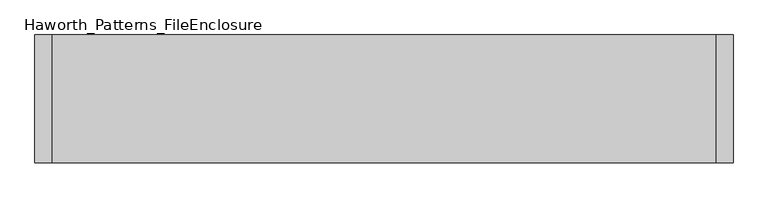
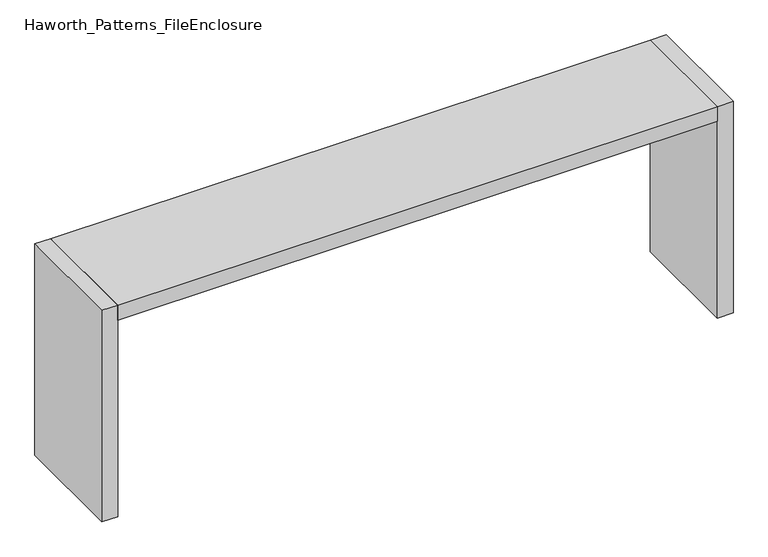
"""IFC4 building model written with IfcOpenShell, lengths in millimetres: furniture geometry, Haworth_Patterns_FileEnclosure."""

import ifcopenshell
import ifcopenshell.guid

model = None  # the IFC model being written
_history = None  # IfcOwnerHistory: only IFC2X3 demands one
_inside = {}  # id of a spatial element -> (the spatial element, [elements in it])
_under = {}  # id of a project, library or spatial element -> (it, [spatial elements below it])
_declared = {}  # id of a project -> (the project, [libraries it declares])
_typed = {}  # id of a type object -> (the type object, [elements of that type])
_made_of = {}  # id of a material, layer set ... -> (it, [elements and type objects made of it])


def new_model(schema):
    """Start an empty IFC model of exactly this schema.

    Asked for "IFC4X3", IfcOpenShell would pick the latest addendum, in which some entities
    have other attributes; the version numbers below select the first issue.
    IFC2X3 requires an IfcOwnerHistory on every rooted entity: one is made here for all.
    """
    global model, _history
    if schema == "IFC4X3":
        model = ifcopenshell.file(schema_version=(4, 3, 0, 0))
    else:
        model = ifcopenshell.file(schema=schema)
    _inside.clear()
    _under.clear()
    _declared.clear()
    _typed.clear()
    _made_of.clear()
    _history = None
    if model.schema == "IFC2X3":
        org = make("IfcOrganization", Name="unknown")
        user = make(
            "IfcPersonAndOrganization",
            ThePerson=make("IfcPerson", FamilyName="unknown"),
            TheOrganization=org,
        )
        app = make(
            "IfcApplication",
            ApplicationDeveloper=org,
            Version="unknown",
            ApplicationFullName="unknown",
            ApplicationIdentifier="unknown",
        )
        _history = make(
            "IfcOwnerHistory",
            OwningUser=user,
            OwningApplication=app,
            ChangeAction="ADDED",
            CreationDate=0,
        )
    return model


def make(cls, **values):
    """One entity of the class cls with the attributes given. An attribute that is None is left unset."""
    return model.create_entity(
        cls, **{name: value for name, value in values.items() if value is not None}
    )


def rooted(cls, **values):
    """An entity with a GlobalId (a new one), such as an element, a storey or a relation."""
    return make(cls, GlobalId=ifcopenshell.guid.new(), OwnerHistory=_history, **values)


def si_unit(unit_type, name, prefix=None):
    """IfcSIUnit, for example si_unit("LENGTHUNIT", "METRE", prefix="MILLI")."""
    return make("IfcSIUnit", UnitType=unit_type, Prefix=prefix, Name=name)


def assignment(units):
    """IfcUnitAssignment: the units of a project."""
    return None if units is None else make("IfcUnitAssignment", Units=units)


def point(xyz):
    """IfcCartesianPoint."""
    return None if xyz is None else make("IfcCartesianPoint", Coordinates=xyz)


def direction(xyz):
    """IfcDirection."""
    return None if xyz is None else make("IfcDirection", DirectionRatios=xyz)


def frame(location, z_axis=None, x_axis=None):
    """IfcAxis2Placement3D, a coordinate frame: its origin and axes. An axis left out is left unset."""
    return make(
        "IfcAxis2Placement3D",
        Location=point(location),
        Axis=direction(z_axis),
        RefDirection=direction(x_axis),
    )


def origin():
    """The frame at (0, 0, 0) with its axes left unset."""
    return frame((0.0, 0.0, 0.0))


def origin_with_axes():
    """The frame at (0, 0, 0) with the z axis (0, 0, 1) and the x axis (1, 0, 0) written out."""
    return frame((0.0, 0.0, 0.0), z_axis=(0.0, 0.0, 1.0), x_axis=(1.0, 0.0, 0.0))


def place(relative_to, where):
    """IfcLocalPlacement: puts the frame where relative to a parent placement (None: the world)."""
    return make(
        "IfcLocalPlacement", PlacementRelTo=relative_to, RelativePlacement=where
    )


def context(
    kind, dimensions, precision=None, world=None, true_north=None, identifier=None
):
    """IfcGeometricRepresentationContext, for example the 3D "Model" context."""
    return make(
        "IfcGeometricRepresentationContext",
        ContextIdentifier=identifier,
        ContextType=kind,
        CoordinateSpaceDimension=dimensions,
        Precision=precision,
        WorldCoordinateSystem=world,
        TrueNorth=true_north,
    )


def project(units=None, contexts=None):
    """IfcProject with its units and contexts."""
    return rooted(
        "IfcProject",
        Name="project",
        RepresentationContexts=contexts,
        UnitsInContext=assignment(units),
    )


def spatial(cls, under=None, at=None, **own):
    """A site, building, storey or space (cls), placed at a placement, below another one or the project."""
    s = rooted(cls, ObjectPlacement=at, **own)
    if under is not None:
        _under.setdefault(under.id(), (under, []))[1].append(s)
    return s


def polyline(points):
    """IfcPolyline through the points."""
    return make("IfcPolyline", Points=[point(p) for p in points])


def outline(outer, holes=None, kind="AREA"):
    """IfcArbitraryClosedProfileDef: a profile drawn as a closed curve; with holes, ...WithVoids."""
    if holes is None:
        return make("IfcArbitraryClosedProfileDef", ProfileType=kind, OuterCurve=outer)
    return make(
        "IfcArbitraryProfileDefWithVoids",
        ProfileType=kind,
        OuterCurve=outer,
        InnerCurves=holes,
    )


def extrude(swept, where, along, depth):
    """IfcExtrudedAreaSolid: the profile swept, set in the frame where, extruded along a direction by depth."""
    return make(
        "IfcExtrudedAreaSolid",
        SweptArea=swept,
        Position=where,
        ExtrudedDirection=direction(along),
        Depth=depth,
    )


def shape(context_of_items, identifier, shape_type, items):
    """IfcShapeRepresentation: the items that make up one representation, for example the "Body"."""
    return make(
        "IfcShapeRepresentation",
        ContextOfItems=context_of_items,
        RepresentationIdentifier=identifier,
        RepresentationType=shape_type,
        Items=items,
    )


def source(mapping_origin, context_of_items, identifier, shape_type, items):
    """IfcRepresentationMap: a shape defined once, which mapped items show again and again."""
    return make(
        "IfcRepresentationMap",
        MappingOrigin=mapping_origin,
        MappedRepresentation=shape(context_of_items, identifier, shape_type, items),
    )


def transform(
    local_origin,
    x_axis=None,
    y_axis=None,
    z_axis=None,
    scale=None,
    scale2=None,
    scale3=None,
    uniform=True,
):
    """IfcCartesianTransformationOperator3D, or its non-uniform kind. x_axis, y_axis, z_axis: its Axis1, 2, 3."""
    if uniform:
        return make(
            "IfcCartesianTransformationOperator3D",
            Axis1=direction(x_axis),
            Axis2=direction(y_axis),
            LocalOrigin=point(local_origin),
            Scale=scale,
            Axis3=direction(z_axis),
        )
    return make(
        "IfcCartesianTransformationOperator3DnonUniform",
        Axis1=direction(x_axis),
        Axis2=direction(y_axis),
        LocalOrigin=point(local_origin),
        Scale=scale,
        Axis3=direction(z_axis),
        Scale2=scale2,
        Scale3=scale3,
    )


def mapped(mapping_source, mapping_target):
    """IfcMappedItem: shows the shape of a source again, moved by a transform."""
    return make(
        "IfcMappedItem", MappingSource=mapping_source, MappingTarget=mapping_target
    )


def made_of(thing, what):
    """Note that an element or type object is made of a material, layer set ...; save() writes the relation."""
    if what is not None:
        _made_of.setdefault(what.id(), (what, []))[1].append(thing)
    return thing


def element(
    cls,
    number,
    at=None,
    inside=None,
    cuts=None,
    type_object=None,
    material=None,
    context=None,
    identifier="Body",
    shape_type=None,
    held_by="IfcProductDefinitionShape",
    body=None,
    shapes=None,
    **own,
):
    """One element of the class cls, such as IfcWall. Its Tag is "e" and its number.

    at: its placement. inside: the storey or other place that contains it. cuts: it is an
    opening in that element (IfcRelVoidsElement). A single representation is given by context,
    identifier, shape_type and body (its items); several are given by shapes. held_by: the class
    of the entity that holds the representations. save() writes the other relations.
    """
    e = rooted(cls, Tag="e%d" % number, ObjectPlacement=at, **own)
    if body is not None:
        shapes = [shape(context, identifier, shape_type, body)]
    if shapes is not None:
        e.Representation = make(held_by, Representations=shapes)
    if inside is not None:
        _inside.setdefault(inside.id(), (inside, []))[1].append(e)
    if cuts is not None:
        rooted(
            "IfcRelVoidsElement", RelatingBuildingElement=cuts, RelatedOpeningElement=e
        )
    if type_object is not None:
        _typed.setdefault(type_object.id(), (type_object, []))[1].append(e)
    return made_of(e, material)


def aggregate(whole, parts):
    """IfcRelAggregates: a whole, such as a stair, and the parts it consists of."""
    return rooted("IfcRelAggregates", RelatingObject=whole, RelatedObjects=parts)


def save(model, path):
    """Write the relations noted so far, then the file.

    IfcRelAggregates (storeys below a building ...), IfcRelContainedInSpatialStructure (elements
    in a storey), IfcRelDefinesByType, IfcRelAssociatesMaterial and IfcRelDeclares: one each for
    every whole, place, type object, material and project.
    """
    for whole, parts in _under.values():
        aggregate(whole, parts)
    for where, things in _inside.values():
        rooted(
            "IfcRelContainedInSpatialStructure",
            RelatedElements=things,
            RelatingStructure=where,
        )
    for kind, things in _typed.values():
        rooted("IfcRelDefinesByType", RelatedObjects=things, RelatingType=kind)
    for what, things in _made_of.values():
        rooted("IfcRelAssociatesMaterial", RelatedObjects=things, RelatingMaterial=what)
    for by, libraries in _declared.values():
        rooted("IfcRelDeclares", RelatingContext=by, RelatedDefinitions=libraries)
    model.write(path)


def haworth_patterns_fileenclosure_6d28b22b(model_context):
    return source(origin(), model_context, "Body", "SweptSolid", [
        extrude(outline(polyline([(1447.8, 0.0), (1447.8, -558.8), (-1447.8, -558.8), (-1447.8, 0.0), (1447.8, 0.0)])), frame((0.0, 0.0, 1003.3), z_axis=(0.0, 0.0, 1.0), x_axis=(1.0, 0.0, 0.0)), (0.0, 0.0, 1.0), 76.2),
        extrude(outline(polyline([(1447.8, 0.0), (1524.0, 0.0), (1524.0, -558.8), (1447.8, -558.8), (1447.8, 0.0)])), origin_with_axes(), (0.0, 0.0, 1.0), 1079.5),
        extrude(outline(polyline([(-1447.8, 0.0), (-1447.8, -558.8), (-1524.0, -558.8), (-1524.0, 0.0), (-1447.8, 0.0)])), origin_with_axes(), (0.0, 0.0, 1.0), 1079.5),
    ])


if __name__ == "__main__":
    model = new_model("IFC4")
    model_context = context("Model", 3, world=origin())
    ifc_project = project(units=[si_unit("LENGTHUNIT", "METRE", prefix="MILLI")], contexts=[model_context])
    site = spatial("IfcSite", under=ifc_project)
    building = spatial("IfcBuilding", under=site)
    placement = place(None, origin())
    haworth_patterns_fileenclosure_shape = haworth_patterns_fileenclosure_6d28b22b(model_context)
    element("IfcFurniture", 1, ObjectType="Haworth_Patterns_FileEnclosure", at=placement, inside=building, context=model_context, shape_type="MappedRepresentation", body=[
        mapped(haworth_patterns_fileenclosure_shape, transform((0.0, 0.0, 0.0), x_axis=(1.0, 0.0, 0.0), y_axis=(0.0, 1.0, 0.0), z_axis=(0.0, 0.0, 1.0))),
    ])
    save(model, "model.ifc")
